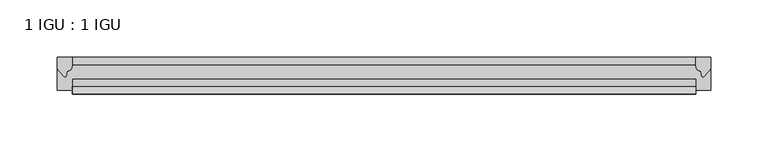
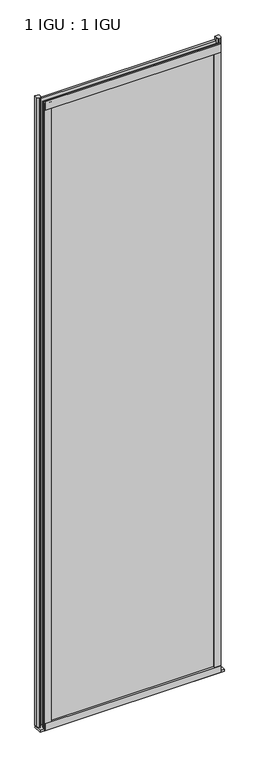
"""IFC4 building model written with IfcOpenShell, lengths in millimetres: plate geometry, 1 IGU : 1 IGU."""

from ifc_helpers import new_model, si_unit, point, frame, frame_2d, origin, place, context, project, spatial, polyline, circle_curve, trimmed, segment, composite_curve, outline, extrude, source, transform, mapped, element, save


def plate_1_igu_1_igu_300f735b(model_context):
    return source(origin(), model_context, "Body", "SweptSolid", [
        extrude(outline(polyline([(303.3484536, 0.0021347), (303.3484536, -6.2992), (-239.2642536, -6.2992), (-239.2642536, 0.0021347), (303.3484536, 0.0021347)])), frame((0.0, 0.0, -19.05), z_axis=(0.0, 0.0, 1.0), x_axis=(1.0, 0.0, 0.0)), (0.0, 0.0, 1.0), 2041.5250001),
        extrude(outline(polyline([(-239.2642536, -19.0986653), (303.3484536, -19.0986653), (303.3484536, -25.3978653), (-239.2642536, -25.3978653), (-239.2642536, -19.0986653)])), frame((0.0, 0.0, -19.05), z_axis=(0.0, 0.0, 1.0), x_axis=(1.0, 0.0, 0.0)), (0.0, 0.0, 1.0), 2041.5250001),
        extrude(outline(composite_curve([segment(trimmed(circle_curve(frame_2d((10.9021792, -22.6833935)), 11.4916952), [point((0.0, -19.05))], [point((-0.2638007, -25.4))], True, "CARTESIAN"), True, "CONTINUOUS"), segment(polyline([(-0.2638007, -25.4), (-27.9952564, -25.4), (-27.9952564, -19.05), (0.0, -19.05)]), True, "CONTINUOUS")], self_intersect=False)), frame((-252.5484536, 0.0, 0.0), z_axis=(1.0, 0.0, 0.0), x_axis=(0.0, 1.0, 0.0)), (0.0, 0.0, 1.0), 568.5969072),
        extrude(outline(composite_curve([segment(polyline([(316.0484536, 0.0), (316.0484536, -9.7395025), (310.4822227, -16.3730781)]), True, "CONTINUOUS"), segment(trimmed(circle_curve(frame_2d((309.5285477, -15.7728374)), 1.1268473), [point((310.4822227, -16.3730781))], [point((308.4275948, -16.0130197))], False, "CARTESIAN"), True, "CONTINUOUS"), segment(polyline([(308.4275948, -16.0130197), (307.4474033, -11.7377885)]), True, "CONTINUOUS"), segment(trimmed(circle_curve(frame_2d((307.3199515, -7.7683362)), 3.9714979), [point((307.4474033, -11.7377885))], [point((303.3486322, -7.8060014))], False, "CARTESIAN"), True, "CONTINUOUS"), segment(polyline([(303.3486322, -7.8060014), (303.3486322, 0.0), (316.0484536, 0.0)]), True, "CONTINUOUS")], self_intersect=False)), frame((0.0, 0.0, -19.05), z_axis=(0.0, 0.0, 1.0), x_axis=(1.0, 0.0, 0.0)), (0.0, 0.0, 1.0), 2051.8374001),
        extrude(outline(composite_curve([segment(polyline([(-239.8484536, 8.8e-06), (-239.8484536, -7.7683362)]), True, "CONTINUOUS"), segment(trimmed(circle_curve(frame_2d((-243.8199515, -7.7683362)), 3.9714979), [point((-239.8484536, -7.7683362))], [point((-243.9474033, -11.7377885))], False, "CARTESIAN"), True, "CONTINUOUS"), segment(polyline([(-243.9474033, -11.7377885), (-244.9274379, -16.012436)]), True, "CONTINUOUS"), segment(trimmed(circle_curve(frame_2d((-246.0286469, -15.7723555)), 1.1270758), [point((-244.9274379, -16.012436))], [point((-246.9824863, -16.372764))], False, "CARTESIAN"), True, "CONTINUOUS"), segment(polyline([(-246.9824863, -16.372764), (-252.5484536, -9.7395025), (-252.5484536, 8.8e-06), (-239.8484536, 8.8e-06)]), True, "CONTINUOUS")], self_intersect=False)), frame((0.0, 0.0, -19.05), z_axis=(0.0, 0.0, 1.0), x_axis=(1.0, 0.0, 0.0)), (0.0, 0.0, 1.0), 2051.8374001),
        extrude(outline(composite_curve([segment(polyline([(-31.75, 0.0), (-25.4, 0.0), (-25.4, -22.225)]), True, "CONTINUOUS"), segment(trimmed(circle_curve(frame_2d((-28.575, -28.9113452)), 7.4018806), [point((-25.4, -22.225))], [point((-31.75, -22.225))], True, "CARTESIAN"), True, "CONTINUOUS"), segment(polyline([(-31.75, -22.225), (-31.75, 0.0)]), True, "CONTINUOUS")], self_intersect=False)), frame((-239.2642536, 0.0, 0.0), z_axis=(1.0, 0.0, 0.0), x_axis=(0.0, 1.0, 0.0)), (0.0, 0.0, 1.0), 542.6127072),
        extrude(outline(composite_curve([segment(polyline([(-25.4, 2025.6500001), (-25.4, 2000.2500001), (-31.75, 2000.2500001), (-31.75, 2028.4228974)]), True, "CONTINUOUS"), segment(trimmed(circle_curve(frame_2d((-24.1401272, 2037.1924116)), 11.6109665), [point((-31.75, 2028.4228974))], [point((-25.4, 2025.6500001))], True, "CARTESIAN"), True, "CONTINUOUS")], self_intersect=False)), frame((-239.2642536, 0.0, 0.0), z_axis=(1.0, 0.0, 0.0), x_axis=(0.0, 1.0, 0.0)), (0.0, 0.0, 1.0), 542.6127072),
        extrude(outline(composite_curve([segment(polyline([(284.2984536, -25.4), (303.3484536, -25.4)]), True, "CONTINUOUS"), segment(trimmed(circle_curve(frame_2d((312.8146043, -28.575)), 9.9844196), [point((303.3484536, -25.4))], [point((303.3484536, -31.75))], True, "CARTESIAN"), True, "CONTINUOUS"), segment(polyline([(303.3484536, -31.75), (284.2984536, -31.75), (284.2984536, -25.4)]), True, "CONTINUOUS")], self_intersect=False)), frame((0.0, 0.0, -19.05), z_axis=(0.0, 0.0, 1.0), x_axis=(1.0, 0.0, 0.0)), (0.0, 0.0, 1.0), 2041.5250001),
        extrude(outline(composite_curve([segment(trimmed(circle_curve(frame_2d((-249.3146043, -28.575)), 9.9844196), [point((-239.8484536, -31.75))], [point((-239.8484536, -25.4))], True, "CARTESIAN"), True, "CONTINUOUS"), segment(polyline([(-239.8484536, -25.4), (-220.7984536, -25.4), (-220.7984536, -31.75), (-239.8484536, -31.75)]), True, "CONTINUOUS")], self_intersect=False)), frame((0.0, 0.0, -19.05), z_axis=(0.0, 0.0, 1.0), x_axis=(1.0, 0.0, 0.0)), (0.0, 0.0, 1.0), 2041.5250001),
    ])


if __name__ == "__main__":
    model = new_model("IFC4")
    model_context = context("Model", 3, world=origin())
    ifc_project = project(units=[si_unit("LENGTHUNIT", "METRE", prefix="MILLI")], contexts=[model_context])
    site = spatial("IfcSite", under=ifc_project)
    building = spatial("IfcBuilding", under=site)
    placement = place(None, origin())
    plate_1_igu_1_igu_shape = plate_1_igu_1_igu_300f735b(model_context)
    element("IfcPlate", 1, ObjectType="1 IGU : 1 IGU", at=placement, inside=building, context=model_context, shape_type="MappedRepresentation", body=[
        mapped(plate_1_igu_1_igu_shape, transform((0.0, 0.0, 0.0), x_axis=(1.0, 0.0, 0.0), y_axis=(0.0, 1.0, 0.0), z_axis=(0.0, 0.0, 1.0))),
    ])
    save(model, "model.ifc")
